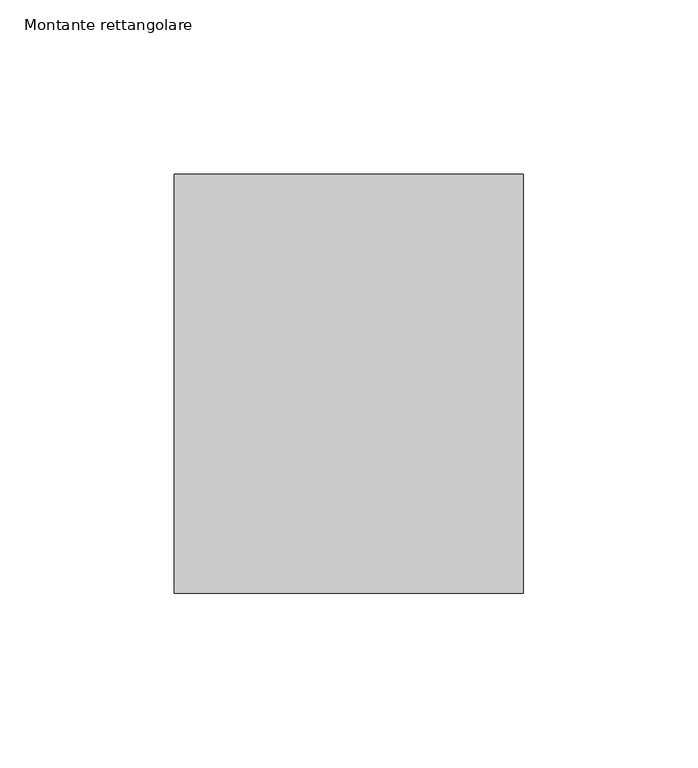
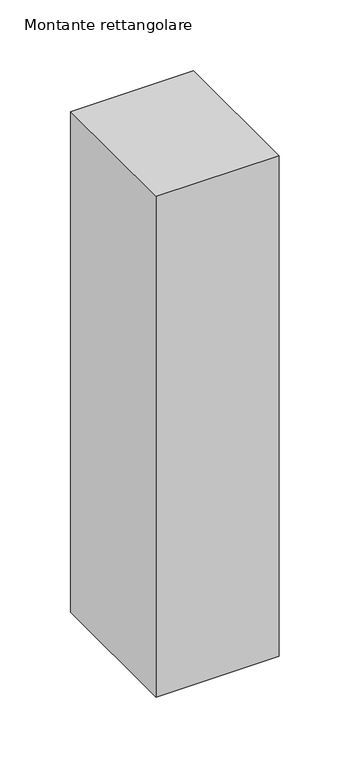
"""IFC4 building model written with IfcOpenShell, lengths in millimetres: member geometry, Montante rettangolare."""

from ifc_helpers import new_model, si_unit, frame, origin, place, context, project, spatial, polyline, outline, extrude, source, transform, mapped, element, save


def montante_rettangolare_652d5f95(model_context):
    return source(origin(), model_context, "Body", "SweptSolid", [
        extrude(outline(polyline([(0.0, 60.0), (0.0, -60.0), (-100.0, -60.0), (-100.0, 60.0), (0.0, 60.0)])), frame((0.0, 0.0, -430.5811907), z_axis=(0.0, 0.0, 1.0), x_axis=(1.0, 0.0, 0.0)), (0.0, 0.0, 1.0), 430.5811907),
    ])


if __name__ == "__main__":
    model = new_model("IFC4")
    model_context = context("Model", 3, world=origin())
    ifc_project = project(units=[si_unit("LENGTHUNIT", "METRE", prefix="MILLI")], contexts=[model_context])
    site = spatial("IfcSite", under=ifc_project)
    building = spatial("IfcBuilding", under=site)
    placement = place(None, origin())
    montante_rettangolare_shape = montante_rettangolare_652d5f95(model_context)
    element("IfcMember", 1, ObjectType="Montante rettangolare", at=placement, inside=building, context=model_context, shape_type="MappedRepresentation", body=[
        mapped(montante_rettangolare_shape, transform((0.0, 0.0, 0.0), x_axis=(1.0, 0.0, 0.0), y_axis=(0.0, 1.0, 0.0), z_axis=(0.0, 0.0, 1.0))),
    ])
    save(model, "model.ifc")
